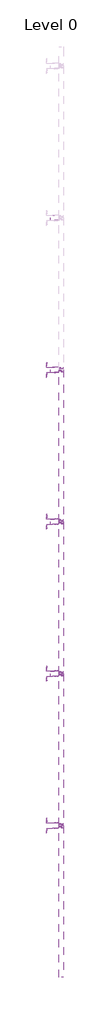
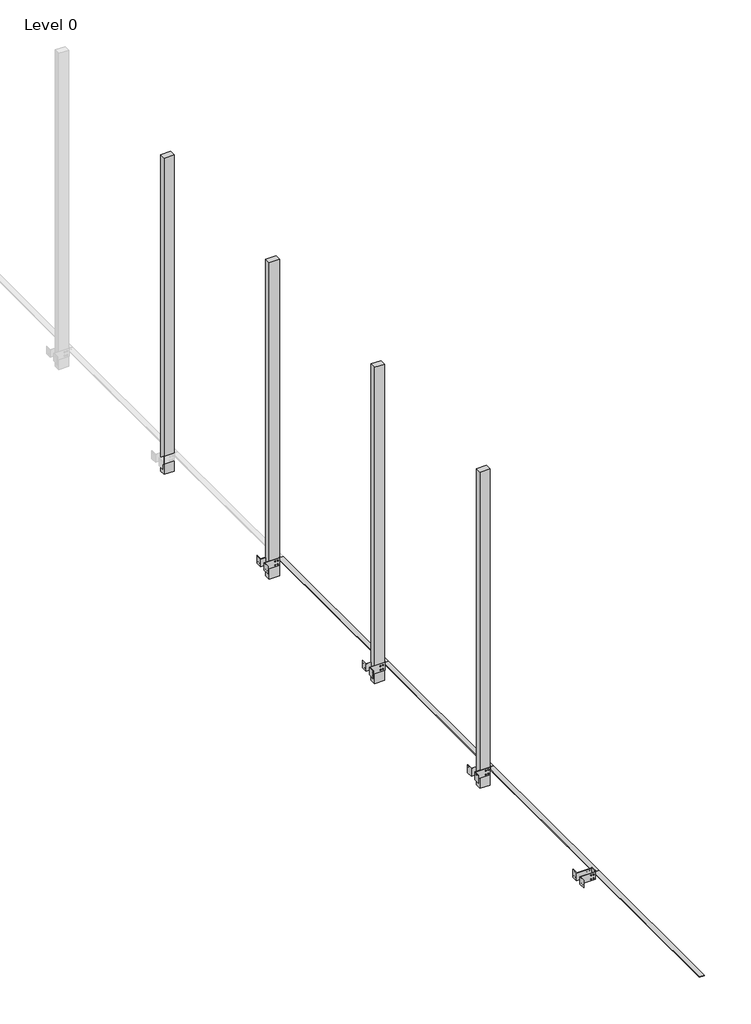
# One storey, part 11 of 15: 116 proxies.
"""IFC4 building model written with IfcOpenShell, lengths in millimetres."""

import ifcopenshell
import ifcopenshell.guid

model = None  # the IFC model being written
_history = None  # IfcOwnerHistory: only IFC2X3 demands one
_inside = {}  # id of a spatial element -> (the spatial element, [elements in it])
_under = {}  # id of a project, library or spatial element -> (it, [spatial elements below it])
_declared = {}  # id of a project -> (the project, [libraries it declares])
_typed = {}  # id of a type object -> (the type object, [elements of that type])
_made_of = {}  # id of a material, layer set ... -> (it, [elements and type objects made of it])


def new_model(schema):
    """Start an empty IFC model of exactly this schema.

    Asked for "IFC4X3", IfcOpenShell would pick the latest addendum, in which some entities
    have other attributes; the version numbers below select the first issue.
    IFC2X3 requires an IfcOwnerHistory on every rooted entity: one is made here for all.
    """
    global model, _history
    if schema == "IFC4X3":
        model = ifcopenshell.file(schema_version=(4, 3, 0, 0))
    else:
        model = ifcopenshell.file(schema=schema)
    _inside.clear()
    _under.clear()
    _declared.clear()
    _typed.clear()
    _made_of.clear()
    _history = None
    if model.schema == "IFC2X3":
        org = make("IfcOrganization", Name="unknown")
        user = make(
            "IfcPersonAndOrganization",
            ThePerson=make("IfcPerson", FamilyName="unknown"),
            TheOrganization=org,
        )
        app = make(
            "IfcApplication",
            ApplicationDeveloper=org,
            Version="unknown",
            ApplicationFullName="unknown",
            ApplicationIdentifier="unknown",
        )
        _history = make(
            "IfcOwnerHistory",
            OwningUser=user,
            OwningApplication=app,
            ChangeAction="ADDED",
            CreationDate=0,
        )
    return model


def make(cls, **values):
    """One entity of the class cls with the attributes given. An attribute that is None is left unset."""
    return model.create_entity(
        cls, **{name: value for name, value in values.items() if value is not None}
    )


def rooted(cls, **values):
    """An entity with a GlobalId (a new one), such as an element, a storey or a relation."""
    return make(cls, GlobalId=ifcopenshell.guid.new(), OwnerHistory=_history, **values)


def si_unit(unit_type, name, prefix=None):
    """IfcSIUnit, for example si_unit("LENGTHUNIT", "METRE", prefix="MILLI")."""
    return make("IfcSIUnit", UnitType=unit_type, Prefix=prefix, Name=name)


def assignment(units):
    """IfcUnitAssignment: the units of a project."""
    return None if units is None else make("IfcUnitAssignment", Units=units)


def point(xyz):
    """IfcCartesianPoint."""
    return None if xyz is None else make("IfcCartesianPoint", Coordinates=xyz)


def direction(xyz):
    """IfcDirection."""
    return None if xyz is None else make("IfcDirection", DirectionRatios=xyz)


def frame(location, z_axis=None, x_axis=None):
    """IfcAxis2Placement3D, a coordinate frame: its origin and axes. An axis left out is left unset."""
    return make(
        "IfcAxis2Placement3D",
        Location=point(location),
        Axis=direction(z_axis),
        RefDirection=direction(x_axis),
    )


def frame_2d(location, x_axis=None):
    """IfcAxis2Placement2D, a coordinate frame in the plane: its origin and x axis."""
    return make(
        "IfcAxis2Placement2D", Location=point(location), RefDirection=direction(x_axis)
    )


def origin():
    """The frame at (0, 0, 0) with its axes left unset."""
    return frame((0.0, 0.0, 0.0))


def origin_with_axes():
    """The frame at (0, 0, 0) with the z axis (0, 0, 1) and the x axis (1, 0, 0) written out."""
    return frame((0.0, 0.0, 0.0), z_axis=(0.0, 0.0, 1.0), x_axis=(1.0, 0.0, 0.0))


def origin_2d():
    """The frame at (0, 0) in the plane with its x axis left unset."""
    return frame_2d((0.0, 0.0))


def place(relative_to, where):
    """IfcLocalPlacement: puts the frame where relative to a parent placement (None: the world)."""
    return make(
        "IfcLocalPlacement", PlacementRelTo=relative_to, RelativePlacement=where
    )


def context(
    kind, dimensions, precision=None, world=None, true_north=None, identifier=None
):
    """IfcGeometricRepresentationContext, for example the 3D "Model" context."""
    return make(
        "IfcGeometricRepresentationContext",
        ContextIdentifier=identifier,
        ContextType=kind,
        CoordinateSpaceDimension=dimensions,
        Precision=precision,
        WorldCoordinateSystem=world,
        TrueNorth=true_north,
    )


def project(units=None, contexts=None):
    """IfcProject with its units and contexts."""
    return rooted(
        "IfcProject",
        Name="project",
        RepresentationContexts=contexts,
        UnitsInContext=assignment(units),
    )


def spatial(cls, under=None, at=None, **own):
    """A site, building, storey or space (cls), placed at a placement, below another one or the project."""
    s = rooted(cls, ObjectPlacement=at, **own)
    if under is not None:
        _under.setdefault(under.id(), (under, []))[1].append(s)
    return s


def polyline(points):
    """IfcPolyline through the points."""
    return make("IfcPolyline", Points=[point(p) for p in points])


def circle_curve(where, radius):
    """IfcCircle in the frame where."""
    return make("IfcCircle", Position=where, Radius=radius)


def trimmed(basis, trim1, trim2, sense, master):
    """IfcTrimmedCurve: the piece of a basis curve between two trims."""
    return make(
        "IfcTrimmedCurve",
        BasisCurve=basis,
        Trim1=trim1,
        Trim2=trim2,
        SenseAgreement=sense,
        MasterRepresentation=master,
    )


def segment(curve, same_sense, transition):
    """IfcCompositeCurveSegment."""
    return make(
        "IfcCompositeCurveSegment",
        Transition=transition,
        SameSense=same_sense,
        ParentCurve=curve,
    )


def composite_curve(segments, self_intersect=None):
    """IfcCompositeCurve: segments joined end to end."""
    return make("IfcCompositeCurve", Segments=segments, SelfIntersect=self_intersect)


def outline(outer, holes=None, kind="AREA"):
    """IfcArbitraryClosedProfileDef: a profile drawn as a closed curve; with holes, ...WithVoids."""
    if holes is None:
        return make("IfcArbitraryClosedProfileDef", ProfileType=kind, OuterCurve=outer)
    return make(
        "IfcArbitraryProfileDefWithVoids",
        ProfileType=kind,
        OuterCurve=outer,
        InnerCurves=holes,
    )


def extrude(swept, where, along, depth):
    """IfcExtrudedAreaSolid: the profile swept, set in the frame where, extruded along a direction by depth."""
    return make(
        "IfcExtrudedAreaSolid",
        SweptArea=swept,
        Position=where,
        ExtrudedDirection=direction(along),
        Depth=depth,
    )


def shape(context_of_items, identifier, shape_type, items):
    """IfcShapeRepresentation: the items that make up one representation, for example the "Body"."""
    return make(
        "IfcShapeRepresentation",
        ContextOfItems=context_of_items,
        RepresentationIdentifier=identifier,
        RepresentationType=shape_type,
        Items=items,
    )


def source(mapping_origin, context_of_items, identifier, shape_type, items):
    """IfcRepresentationMap: a shape defined once, which mapped items show again and again."""
    return make(
        "IfcRepresentationMap",
        MappingOrigin=mapping_origin,
        MappedRepresentation=shape(context_of_items, identifier, shape_type, items),
    )


def transform(
    local_origin,
    x_axis=None,
    y_axis=None,
    z_axis=None,
    scale=None,
    scale2=None,
    scale3=None,
    uniform=True,
):
    """IfcCartesianTransformationOperator3D, or its non-uniform kind. x_axis, y_axis, z_axis: its Axis1, 2, 3."""
    if uniform:
        return make(
            "IfcCartesianTransformationOperator3D",
            Axis1=direction(x_axis),
            Axis2=direction(y_axis),
            LocalOrigin=point(local_origin),
            Scale=scale,
            Axis3=direction(z_axis),
        )
    return make(
        "IfcCartesianTransformationOperator3DnonUniform",
        Axis1=direction(x_axis),
        Axis2=direction(y_axis),
        LocalOrigin=point(local_origin),
        Scale=scale,
        Axis3=direction(z_axis),
        Scale2=scale2,
        Scale3=scale3,
    )


def mapped(mapping_source, mapping_target):
    """IfcMappedItem: shows the shape of a source again, moved by a transform."""
    return make(
        "IfcMappedItem", MappingSource=mapping_source, MappingTarget=mapping_target
    )


def made_of(thing, what):
    """Note that an element or type object is made of a material, layer set ...; save() writes the relation."""
    if what is not None:
        _made_of.setdefault(what.id(), (what, []))[1].append(thing)
    return thing


def element(
    cls,
    number,
    at=None,
    inside=None,
    cuts=None,
    type_object=None,
    material=None,
    context=None,
    identifier="Body",
    shape_type=None,
    held_by="IfcProductDefinitionShape",
    body=None,
    shapes=None,
    **own,
):
    """One element of the class cls, such as IfcWall. Its Tag is "e" and its number.

    at: its placement. inside: the storey or other place that contains it. cuts: it is an
    opening in that element (IfcRelVoidsElement). A single representation is given by context,
    identifier, shape_type and body (its items); several are given by shapes. held_by: the class
    of the entity that holds the representations. save() writes the other relations.
    """
    e = rooted(cls, Tag="e%d" % number, ObjectPlacement=at, **own)
    if body is not None:
        shapes = [shape(context, identifier, shape_type, body)]
    if shapes is not None:
        e.Representation = make(held_by, Representations=shapes)
    if inside is not None:
        _inside.setdefault(inside.id(), (inside, []))[1].append(e)
    if cuts is not None:
        rooted(
            "IfcRelVoidsElement", RelatingBuildingElement=cuts, RelatedOpeningElement=e
        )
    if type_object is not None:
        _typed.setdefault(type_object.id(), (type_object, []))[1].append(e)
    return made_of(e, material)


def aggregate(whole, parts):
    """IfcRelAggregates: a whole, such as a stair, and the parts it consists of."""
    return rooted("IfcRelAggregates", RelatingObject=whole, RelatedObjects=parts)


def save(model, path):
    """Write the relations noted so far, then the file.

    IfcRelAggregates (storeys below a building ...), IfcRelContainedInSpatialStructure (elements
    in a storey), IfcRelDefinesByType, IfcRelAssociatesMaterial and IfcRelDeclares: one each for
    every whole, place, type object, material and project.
    """
    for whole, parts in _under.values():
        aggregate(whole, parts)
    for where, things in _inside.values():
        rooted(
            "IfcRelContainedInSpatialStructure",
            RelatedElements=things,
            RelatingStructure=where,
        )
    for kind, things in _typed.values():
        rooted("IfcRelDefinesByType", RelatedObjects=things, RelatingType=kind)
    for what, things in _made_of.values():
        rooted("IfcRelAssociatesMaterial", RelatedObjects=things, RelatingMaterial=what)
    for by, libraries in _declared.values():
        rooted("IfcRelDeclares", RelatingContext=by, RelatedDefinitions=libraries)
    model.write(path)


def generic_models_19886ca7(model_context):
    return source(origin(), model_context, "Body", "SweptSolid", [
        extrude(outline(composite_curve([segment(trimmed(circle_curve(origin_2d(), 5.0), [point((-5.0, 0.0))], [point((5.0, 0.0))], False, "CARTESIAN"), True, "CONTINUOUS"), segment(trimmed(circle_curve(origin_2d(), 5.0), [point((5.0, 0.0))], [point((-5.0, 0.0))], False, "CARTESIAN"), True, "CONTINUOUS")], self_intersect=False)), origin_with_axes(), (0.0, 0.0, 1.0), 5.0),
    ])


def generic_models_88deaccf(model_context):
    return source(origin(), model_context, "Body", "SweptSolid", [
        extrude(outline(polyline([(150.0, 0.0), (0.0, 0.0), (0.0, 62.3), (2.3, 62.3), (2.3, 2.3), (150.0, 2.3), (150.0, 0.0)])), frame((0.0, -80.0, 0.0), z_axis=(0.0, 1.0, 0.0), x_axis=(0.0, 0.0, 1.0)), (0.0, 0.0, 1.0), 80.0),
    ])


def generic_models_159ed4c4(model_context):
    return source(origin(), model_context, "Body", "SweptSolid", [
        extrude(outline(polyline([(150.0, 0.0), (0.0, 0.0), (0.0, 62.3), (2.3, 62.3), (2.3, 2.3), (150.0, 2.3), (150.0, 0.0)])), frame((0.0, 0.0, 0.0), z_axis=(0.0, 1.0, 0.0), x_axis=(0.0, 0.0, 1.0)), (0.0, 0.0, 1.0), 80.0),
    ])


def generic_models_e0213a8b(model_context):
    return source(origin(), model_context, "Body", "SweptSolid", [
        extrude(outline(polyline([(0.0, 0.0), (0.0, 3.0), (47.0, 3.0), (47.0, 50.0), (50.0, 50.0), (50.0, 0.0), (0.0, 0.0)])), frame((0.0, 0.0, 0.0), z_axis=(1.0, 0.0, 0.0), x_axis=(0.0, 1.0, 0.0)), (0.0, 0.0, 1.0), 60.0),
    ])


def generic_models_dec5313c(model_context):
    return source(origin(), model_context, "Body", "SweptSolid", [
        extrude(outline(polyline([(26.7544115, -408.8971584), (-23.2455885, -408.8971584), (-23.2455885, 1391.1028416), (26.7544115, 1391.1028416), (26.7544115, -408.8971584)])), origin_with_axes(), (0.0, 0.0, 1.0), 7.0),
    ])


def montante_parete_montante_parete_482e2bc0(model_context):
    return source(origin(), model_context, "Body", "SweptSolid", [
        extrude(outline(polyline([(30.0, -1136.5382366), (-30.0, -1136.5382366), (-30.0, 2163.4617634), (30.0, 2163.4617634), (30.0, -1136.5382366)])), origin_with_axes(), (0.0, 0.0, 1.0), 100.0),
    ])


model = new_model("IFC4")

# Units and contexts
model_context = context("Model", 3, world=origin())
ifc_project = project(units=[si_unit("LENGTHUNIT", "METRE", prefix="MILLI")], contexts=[model_context])

# Site, building, storey
site = spatial("IfcSite", under=ifc_project)
building = spatial("IfcBuilding", under=site)
storey = spatial("IfcBuildingStorey", under=building, Name="Level 0", Elevation=0.0)

# Proxies
placement = place(None, origin())
generic_models_shape = generic_models_19886ca7(model_context)
element("IfcBuildingElementProxy", 1, Name="Generic Models", at=placement, inside=storey, context=model_context, shape_type="MappedRepresentation", body=[
    mapped(generic_models_shape, transform((4044.1492963, -9971.9410594, 2854.9669904), x_axis=(0.0, 1.0, 0.0), y_axis=(0.0, 0.0, 1.0), z_axis=(1.0, 0.0, 0.0))),
])
element("IfcBuildingElementProxy", 2, Name="Generic Models", at=placement, inside=storey, context=model_context, shape_type="MappedRepresentation", body=[
    mapped(generic_models_shape, transform((4044.1492963, -9946.9410594, 2855.0), x_axis=(0.0, 1.0, 0.0), y_axis=(0.0, 0.0, 1.0), z_axis=(1.0, 0.0, 0.0))),
])
element("IfcBuildingElementProxy", 3, Name="Generic Models", at=placement, inside=storey, context=model_context, shape_type="MappedRepresentation", body=[
    mapped(generic_models_shape, transform((4044.1492963, -9946.9410594, 2815.0), x_axis=(0.0, 1.0, 0.0), y_axis=(0.0, 0.0, 1.0), z_axis=(1.0, 0.0, 0.0))),
])
element("IfcBuildingElementProxy", 4, Name="Generic Models", at=placement, inside=storey, context=model_context, shape_type="MappedRepresentation", body=[
    mapped(generic_models_shape, transform((4044.1492963, -9971.9410594, 2815.0), x_axis=(0.0, 1.0, 0.0), y_axis=(0.0, 0.0, 1.0), z_axis=(1.0, 0.0, 0.0))),
])
element("IfcBuildingElementProxy", 5, Name="Generic Models", at=placement, inside=storey, context=model_context, shape_type="MappedRepresentation", body=[
    mapped(generic_models_shape, transform((4171.8492963, -9991.9410594, 2855.0), x_axis=(-1.0, 0.0, 0.0), y_axis=(0.0, 0.0, 1.0), z_axis=(0.0, 1.0, 0.0))),
])
element("IfcBuildingElementProxy", 6, Name="Generic Models", at=placement, inside=storey, context=model_context, shape_type="MappedRepresentation", body=[
    mapped(generic_models_shape, transform((4171.8492963, -9991.9410594, 2814.9681435), x_axis=(-1.0, 0.0, 0.0), y_axis=(0.0, 0.0, 1.0), z_axis=(0.0, 1.0, 0.0))),
])
element("IfcBuildingElementProxy", 7, Name="Generic Models", at=placement, inside=storey, context=model_context, shape_type="MappedRepresentation", body=[
    mapped(generic_models_shape, transform((4146.8492963, -9991.9410594, 2814.9681435), x_axis=(-1.0, 0.0, 0.0), y_axis=(0.0, 0.0, 1.0), z_axis=(0.0, 1.0, 0.0))),
])
element("IfcBuildingElementProxy", 8, Name="Generic Models", at=placement, inside=storey, context=model_context, shape_type="MappedRepresentation", body=[
    mapped(generic_models_shape, transform((4146.8492963, -9991.9410594, 2855.0), x_axis=(-1.0, 0.0, 0.0), y_axis=(0.0, 0.0, 1.0), z_axis=(0.0, 1.0, 0.0))),
])
element("IfcBuildingElementProxy", 9, Name="Generic Models", at=placement, inside=storey, context=model_context, shape_type="MappedRepresentation", body=[
    mapped(generic_models_shape, transform((4044.1492963, -11771.9410594, 2854.9669904), x_axis=(0.0, 1.0, 0.0), y_axis=(0.0, 0.0, 1.0), z_axis=(1.0, 0.0, 0.0))),
])
element("IfcBuildingElementProxy", 10, Name="Generic Models", at=placement, inside=storey, context=model_context, shape_type="MappedRepresentation", body=[
    mapped(generic_models_shape, transform((4044.1492963, -11746.9410594, 2855.0), x_axis=(0.0, 1.0, 0.0), y_axis=(0.0, 0.0, 1.0), z_axis=(1.0, 0.0, 0.0))),
])
element("IfcBuildingElementProxy", 11, Name="Generic Models", at=placement, inside=storey, context=model_context, shape_type="MappedRepresentation", body=[
    mapped(generic_models_shape, transform((4044.1492963, -11746.9410594, 2815.0), x_axis=(0.0, 1.0, 0.0), y_axis=(0.0, 0.0, 1.0), z_axis=(1.0, 0.0, 0.0))),
])
element("IfcBuildingElementProxy", 12, Name="Generic Models", at=placement, inside=storey, context=model_context, shape_type="MappedRepresentation", body=[
    mapped(generic_models_shape, transform((4044.1492963, -11771.9410594, 2815.0), x_axis=(0.0, 1.0, 0.0), y_axis=(0.0, 0.0, 1.0), z_axis=(1.0, 0.0, 0.0))),
])
element("IfcBuildingElementProxy", 13, Name="Generic Models", at=placement, inside=storey, context=model_context, shape_type="MappedRepresentation", body=[
    mapped(generic_models_shape, transform((4171.8492963, -11791.9410594, 2855.0), x_axis=(-1.0, 0.0, 0.0), y_axis=(0.0, 0.0, 1.0), z_axis=(0.0, 1.0, 0.0))),
])
element("IfcBuildingElementProxy", 14, Name="Generic Models", at=placement, inside=storey, context=model_context, shape_type="MappedRepresentation", body=[
    mapped(generic_models_shape, transform((4171.8492963, -11791.9410594, 2814.9681435), x_axis=(-1.0, 0.0, 0.0), y_axis=(0.0, 0.0, 1.0), z_axis=(0.0, 1.0, 0.0))),
])
element("IfcBuildingElementProxy", 15, Name="Generic Models", at=placement, inside=storey, context=model_context, shape_type="MappedRepresentation", body=[
    mapped(generic_models_shape, transform((4146.8492963, -11791.9410594, 2814.9681435), x_axis=(-1.0, 0.0, 0.0), y_axis=(0.0, 0.0, 1.0), z_axis=(0.0, 1.0, 0.0))),
])
element("IfcBuildingElementProxy", 16, Name="Generic Models", at=placement, inside=storey, context=model_context, shape_type="MappedRepresentation", body=[
    mapped(generic_models_shape, transform((4146.8492963, -11791.9410594, 2855.0), x_axis=(-1.0, 0.0, 0.0), y_axis=(0.0, 0.0, 1.0), z_axis=(0.0, 1.0, 0.0))),
])
element("IfcBuildingElementProxy", 17, Name="Generic Models", at=placement, inside=storey, context=model_context, shape_type="MappedRepresentation", body=[
    mapped(generic_models_shape, transform((4044.1492963, -13571.9410594, 2854.9669904), x_axis=(0.0, 1.0, 0.0), y_axis=(0.0, 0.0, 1.0), z_axis=(1.0, 0.0, 0.0))),
])
element("IfcBuildingElementProxy", 18, Name="Generic Models", at=placement, inside=storey, context=model_context, shape_type="MappedRepresentation", body=[
    mapped(generic_models_shape, transform((4044.1492963, -13546.9410594, 2855.0), x_axis=(0.0, 1.0, 0.0), y_axis=(0.0, 0.0, 1.0), z_axis=(1.0, 0.0, 0.0))),
])
element("IfcBuildingElementProxy", 19, Name="Generic Models", at=placement, inside=storey, context=model_context, shape_type="MappedRepresentation", body=[
    mapped(generic_models_shape, transform((4044.1492963, -13546.9410594, 2815.0), x_axis=(0.0, 1.0, 0.0), y_axis=(0.0, 0.0, 1.0), z_axis=(1.0, 0.0, 0.0))),
])
element("IfcBuildingElementProxy", 20, Name="Generic Models", at=placement, inside=storey, context=model_context, shape_type="MappedRepresentation", body=[
    mapped(generic_models_shape, transform((4044.1492963, -13571.9410594, 2815.0), x_axis=(0.0, 1.0, 0.0), y_axis=(0.0, 0.0, 1.0), z_axis=(1.0, 0.0, 0.0))),
])
element("IfcBuildingElementProxy", 21, Name="Generic Models", at=placement, inside=storey, context=model_context, shape_type="MappedRepresentation", body=[
    mapped(generic_models_shape, transform((4171.8492963, -13591.9410594, 2855.0), x_axis=(-1.0, 0.0, 0.0), y_axis=(0.0, 0.0, 1.0), z_axis=(0.0, 1.0, 0.0))),
])
element("IfcBuildingElementProxy", 22, Name="Generic Models", at=placement, inside=storey, context=model_context, shape_type="MappedRepresentation", body=[
    mapped(generic_models_shape, transform((4171.8492963, -13591.9410594, 2814.9681435), x_axis=(-1.0, 0.0, 0.0), y_axis=(0.0, 0.0, 1.0), z_axis=(0.0, 1.0, 0.0))),
])
element("IfcBuildingElementProxy", 23, Name="Generic Models", at=placement, inside=storey, context=model_context, shape_type="MappedRepresentation", body=[
    mapped(generic_models_shape, transform((4146.8492963, -13591.9410594, 2814.9681435), x_axis=(-1.0, 0.0, 0.0), y_axis=(0.0, 0.0, 1.0), z_axis=(0.0, 1.0, 0.0))),
])
element("IfcBuildingElementProxy", 24, Name="Generic Models", at=placement, inside=storey, context=model_context, shape_type="MappedRepresentation", body=[
    mapped(generic_models_shape, transform((4146.8492963, -13591.9410594, 2855.0), x_axis=(-1.0, 0.0, 0.0), y_axis=(0.0, 0.0, 1.0), z_axis=(0.0, 1.0, 0.0))),
])
element("IfcBuildingElementProxy", 25, Name="Generic Models", at=placement, inside=storey, context=model_context, shape_type="MappedRepresentation", body=[
    mapped(generic_models_shape, transform((4044.1492963, -15371.9410594, 2854.9669904), x_axis=(0.0, 1.0, 0.0), y_axis=(0.0, 0.0, 1.0), z_axis=(1.0, 0.0, 0.0))),
])
element("IfcBuildingElementProxy", 26, Name="Generic Models", at=placement, inside=storey, context=model_context, shape_type="MappedRepresentation", body=[
    mapped(generic_models_shape, transform((4044.1492963, -15346.9410594, 2855.0), x_axis=(0.0, 1.0, 0.0), y_axis=(0.0, 0.0, 1.0), z_axis=(1.0, 0.0, 0.0))),
])
element("IfcBuildingElementProxy", 27, Name="Generic Models", at=placement, inside=storey, context=model_context, shape_type="MappedRepresentation", body=[
    mapped(generic_models_shape, transform((4044.1492963, -15346.9410594, 2815.0), x_axis=(0.0, 1.0, 0.0), y_axis=(0.0, 0.0, 1.0), z_axis=(1.0, 0.0, 0.0))),
])
element("IfcBuildingElementProxy", 28, Name="Generic Models", at=placement, inside=storey, context=model_context, shape_type="MappedRepresentation", body=[
    mapped(generic_models_shape, transform((4044.1492963, -15371.9410594, 2815.0), x_axis=(0.0, 1.0, 0.0), y_axis=(0.0, 0.0, 1.0), z_axis=(1.0, 0.0, 0.0))),
])
element("IfcBuildingElementProxy", 29, Name="Generic Models", at=placement, inside=storey, context=model_context, shape_type="MappedRepresentation", body=[
    mapped(generic_models_shape, transform((4171.8492963, -15391.9410594, 2855.0), x_axis=(-1.0, 0.0, 0.0), y_axis=(0.0, 0.0, 1.0), z_axis=(0.0, 1.0, 0.0))),
])
element("IfcBuildingElementProxy", 30, Name="Generic Models", at=placement, inside=storey, context=model_context, shape_type="MappedRepresentation", body=[
    mapped(generic_models_shape, transform((4171.8492963, -15391.9410594, 2814.9681435), x_axis=(-1.0, 0.0, 0.0), y_axis=(0.0, 0.0, 1.0), z_axis=(0.0, 1.0, 0.0))),
])
element("IfcBuildingElementProxy", 31, Name="Generic Models", at=placement, inside=storey, context=model_context, shape_type="MappedRepresentation", body=[
    mapped(generic_models_shape, transform((4146.8492963, -15391.9410594, 2814.9681435), x_axis=(-1.0, 0.0, 0.0), y_axis=(0.0, 0.0, 1.0), z_axis=(0.0, 1.0, 0.0))),
])
element("IfcBuildingElementProxy", 32, Name="Generic Models", at=placement, inside=storey, context=model_context, shape_type="MappedRepresentation", body=[
    mapped(generic_models_shape, transform((4146.8492963, -15391.9410594, 2855.0), x_axis=(-1.0, 0.0, 0.0), y_axis=(0.0, 0.0, 1.0), z_axis=(0.0, 1.0, 0.0))),
])
element("IfcBuildingElementProxy", 33, Name="Generic Models", at=placement, inside=storey, context=model_context, shape_type="MappedRepresentation", body=[
    mapped(generic_models_shape, transform((4044.1492963, -10076.5410594, 2854.9669904), x_axis=(0.0, -1.0, 0.0), y_axis=(0.0, 0.0, -1.0), z_axis=(1.0, 0.0, 0.0))),
])
element("IfcBuildingElementProxy", 34, Name="Generic Models", at=placement, inside=storey, context=model_context, shape_type="MappedRepresentation", body=[
    mapped(generic_models_shape, transform((4044.1492963, -10101.5410594, 2855.0), x_axis=(0.0, -1.0, 0.0), y_axis=(0.0, 0.0, -1.0), z_axis=(1.0, 0.0, 0.0))),
])
element("IfcBuildingElementProxy", 35, Name="Generic Models", at=placement, inside=storey, context=model_context, shape_type="MappedRepresentation", body=[
    mapped(generic_models_shape, transform((4044.1492963, -10101.5410594, 2815.0), x_axis=(0.0, -1.0, 0.0), y_axis=(0.0, 0.0, -1.0), z_axis=(1.0, 0.0, 0.0))),
])
element("IfcBuildingElementProxy", 36, Name="Generic Models", at=placement, inside=storey, context=model_context, shape_type="MappedRepresentation", body=[
    mapped(generic_models_shape, transform((4044.1492963, -10076.5410594, 2815.0), x_axis=(0.0, -1.0, 0.0), y_axis=(0.0, 0.0, -1.0), z_axis=(1.0, 0.0, 0.0))),
])
element("IfcBuildingElementProxy", 37, Name="Generic Models", at=placement, inside=storey, context=model_context, shape_type="MappedRepresentation", body=[
    mapped(generic_models_shape, transform((4171.8492963, -10056.5410594, 2855.0), x_axis=(-1.0, 0.0, 0.0), y_axis=(0.0, 0.0, -1.0), z_axis=(0.0, -1.0, 0.0))),
])
element("IfcBuildingElementProxy", 38, Name="Generic Models", at=placement, inside=storey, context=model_context, shape_type="MappedRepresentation", body=[
    mapped(generic_models_shape, transform((4171.8492963, -10056.5410594, 2814.9681435), x_axis=(-1.0, 0.0, 0.0), y_axis=(0.0, 0.0, -1.0), z_axis=(0.0, -1.0, 0.0))),
])
element("IfcBuildingElementProxy", 39, Name="Generic Models", at=placement, inside=storey, context=model_context, shape_type="MappedRepresentation", body=[
    mapped(generic_models_shape, transform((4146.8492963, -10056.5410594, 2814.9681435), x_axis=(-1.0, 0.0, 0.0), y_axis=(0.0, 0.0, -1.0), z_axis=(0.0, -1.0, 0.0))),
])
element("IfcBuildingElementProxy", 40, Name="Generic Models", at=placement, inside=storey, context=model_context, shape_type="MappedRepresentation", body=[
    mapped(generic_models_shape, transform((4146.8492963, -10056.5410594, 2855.0), x_axis=(-1.0, 0.0, 0.0), y_axis=(0.0, 0.0, -1.0), z_axis=(0.0, -1.0, 0.0))),
])
element("IfcBuildingElementProxy", 41, Name="Generic Models", at=placement, inside=storey, context=model_context, shape_type="MappedRepresentation", body=[
    mapped(generic_models_shape, transform((4194.8352526, -10039.2410594, 2870.0), x_axis=(0.0, 0.0, -1.0), y_axis=(0.0, 1.0, 0.0), z_axis=(1.0, 0.0, 0.0))),
])
element("IfcBuildingElementProxy", 42, Name="Generic Models", at=placement, inside=storey, context=model_context, shape_type="MappedRepresentation", body=[
    mapped(generic_models_shape, transform((4194.8352526, -10039.2410594, 2853.0), x_axis=(0.0, 0.0, -1.0), y_axis=(0.0, 1.0, 0.0), z_axis=(1.0, 0.0, 0.0))),
])
element("IfcBuildingElementProxy", 43, Name="Generic Models", at=placement, inside=storey, context=model_context, shape_type="MappedRepresentation", body=[
    mapped(generic_models_shape, transform((4194.8352526, -10009.2410594, 2853.0), x_axis=(0.0, 0.0, -1.0), y_axis=(0.0, 1.0, 0.0), z_axis=(1.0, 0.0, 0.0))),
])
element("IfcBuildingElementProxy", 44, Name="Generic Models", at=placement, inside=storey, context=model_context, shape_type="MappedRepresentation", body=[
    mapped(generic_models_shape, transform((4194.8352526, -10009.2410594, 2869.4644661), x_axis=(0.0, 0.0, -1.0), y_axis=(0.0, 1.0, 0.0), z_axis=(1.0, 0.0, 0.0))),
])
element("IfcBuildingElementProxy", 45, Name="Generic Models", at=placement, inside=storey, context=model_context, shape_type="MappedRepresentation", body=[
    mapped(generic_models_shape, transform((4206.8352526, -10009.2366286, 2838.0), x_axis=(1.0, 0.0, 0.0), y_axis=(0.0, 1.0, 0.0), z_axis=(0.0, 0.0, 1.0))),
])
element("IfcBuildingElementProxy", 46, Name="Generic Models", at=placement, inside=storey, context=model_context, shape_type="MappedRepresentation", body=[
    mapped(generic_models_shape, transform((4226.8352526, -10009.2214622, 2838.0), x_axis=(1.0, 0.0, 0.0), y_axis=(0.0, 1.0, 0.0), z_axis=(0.0, 0.0, 1.0))),
])
element("IfcBuildingElementProxy", 47, Name="Generic Models", at=placement, inside=storey, context=model_context, shape_type="MappedRepresentation", body=[
    mapped(generic_models_shape, transform((4206.8352526, -10039.2410594, 2838.0), x_axis=(1.0, 0.0, 0.0), y_axis=(0.0, 1.0, 0.0), z_axis=(0.0, 0.0, 1.0))),
])
element("IfcBuildingElementProxy", 48, Name="Generic Models", at=placement, inside=storey, context=model_context, shape_type="MappedRepresentation", body=[
    mapped(generic_models_shape, transform((4226.8352526, -10039.2410594, 2838.0), x_axis=(1.0, 0.0, 0.0), y_axis=(0.0, 1.0, 0.0), z_axis=(0.0, 0.0, 1.0))),
])
element("IfcBuildingElementProxy", 49, Name="Generic Models", at=placement, inside=storey, context=model_context, shape_type="MappedRepresentation", body=[
    mapped(generic_models_shape, transform((4044.1492963, -11876.5410594, 2854.9669904), x_axis=(0.0, -1.0, 0.0), y_axis=(0.0, 0.0, -1.0), z_axis=(1.0, 0.0, 0.0))),
])
element("IfcBuildingElementProxy", 50, Name="Generic Models", at=placement, inside=storey, context=model_context, shape_type="MappedRepresentation", body=[
    mapped(generic_models_shape, transform((4044.1492963, -11901.5410594, 2855.0), x_axis=(0.0, -1.0, 0.0), y_axis=(0.0, 0.0, -1.0), z_axis=(1.0, 0.0, 0.0))),
])
element("IfcBuildingElementProxy", 51, Name="Generic Models", at=placement, inside=storey, context=model_context, shape_type="MappedRepresentation", body=[
    mapped(generic_models_shape, transform((4044.1492963, -11901.5410594, 2815.0), x_axis=(0.0, -1.0, 0.0), y_axis=(0.0, 0.0, -1.0), z_axis=(1.0, 0.0, 0.0))),
])
element("IfcBuildingElementProxy", 52, Name="Generic Models", at=placement, inside=storey, context=model_context, shape_type="MappedRepresentation", body=[
    mapped(generic_models_shape, transform((4044.1492963, -11876.5410594, 2815.0), x_axis=(0.0, -1.0, 0.0), y_axis=(0.0, 0.0, -1.0), z_axis=(1.0, 0.0, 0.0))),
])
element("IfcBuildingElementProxy", 53, Name="Generic Models", at=placement, inside=storey, context=model_context, shape_type="MappedRepresentation", body=[
    mapped(generic_models_shape, transform((4171.8492963, -11856.5410594, 2855.0), x_axis=(-1.0, 0.0, 0.0), y_axis=(0.0, 0.0, -1.0), z_axis=(0.0, -1.0, 0.0))),
])
element("IfcBuildingElementProxy", 54, Name="Generic Models", at=placement, inside=storey, context=model_context, shape_type="MappedRepresentation", body=[
    mapped(generic_models_shape, transform((4171.8492963, -11856.5410594, 2814.9681435), x_axis=(-1.0, 0.0, 0.0), y_axis=(0.0, 0.0, -1.0), z_axis=(0.0, -1.0, 0.0))),
])
element("IfcBuildingElementProxy", 55, Name="Generic Models", at=placement, inside=storey, context=model_context, shape_type="MappedRepresentation", body=[
    mapped(generic_models_shape, transform((4146.8492963, -11856.5410594, 2814.9681435), x_axis=(-1.0, 0.0, 0.0), y_axis=(0.0, 0.0, -1.0), z_axis=(0.0, -1.0, 0.0))),
])
element("IfcBuildingElementProxy", 56, Name="Generic Models", at=placement, inside=storey, context=model_context, shape_type="MappedRepresentation", body=[
    mapped(generic_models_shape, transform((4146.8492963, -11856.5410594, 2855.0), x_axis=(-1.0, 0.0, 0.0), y_axis=(0.0, 0.0, -1.0), z_axis=(0.0, -1.0, 0.0))),
])
element("IfcBuildingElementProxy", 57, Name="Generic Models", at=placement, inside=storey, context=model_context, shape_type="MappedRepresentation", body=[
    mapped(generic_models_shape, transform((4194.8352526, -11839.2410594, 2870.0), x_axis=(0.0, 0.0, -1.0), y_axis=(0.0, 1.0, 0.0), z_axis=(1.0, 0.0, 0.0))),
])
element("IfcBuildingElementProxy", 58, Name="Generic Models", at=placement, inside=storey, context=model_context, shape_type="MappedRepresentation", body=[
    mapped(generic_models_shape, transform((4194.8352526, -11839.2410594, 2853.0), x_axis=(0.0, 0.0, -1.0), y_axis=(0.0, 1.0, 0.0), z_axis=(1.0, 0.0, 0.0))),
])
element("IfcBuildingElementProxy", 59, Name="Generic Models", at=placement, inside=storey, context=model_context, shape_type="MappedRepresentation", body=[
    mapped(generic_models_shape, transform((4194.8352526, -11809.2410594, 2853.0), x_axis=(0.0, 0.0, -1.0), y_axis=(0.0, 1.0, 0.0), z_axis=(1.0, 0.0, 0.0))),
])
element("IfcBuildingElementProxy", 60, Name="Generic Models", at=placement, inside=storey, context=model_context, shape_type="MappedRepresentation", body=[
    mapped(generic_models_shape, transform((4194.8352526, -11809.2410594, 2869.4644661), x_axis=(0.0, 0.0, -1.0), y_axis=(0.0, 1.0, 0.0), z_axis=(1.0, 0.0, 0.0))),
])
element("IfcBuildingElementProxy", 61, Name="Generic Models", at=placement, inside=storey, context=model_context, shape_type="MappedRepresentation", body=[
    mapped(generic_models_shape, transform((4206.8352526, -11809.2366286, 2838.0), x_axis=(1.0, 0.0, 0.0), y_axis=(0.0, 1.0, 0.0), z_axis=(0.0, 0.0, 1.0))),
])
element("IfcBuildingElementProxy", 62, Name="Generic Models", at=placement, inside=storey, context=model_context, shape_type="MappedRepresentation", body=[
    mapped(generic_models_shape, transform((4226.8352526, -11809.2214622, 2838.0), x_axis=(1.0, 0.0, 0.0), y_axis=(0.0, 1.0, 0.0), z_axis=(0.0, 0.0, 1.0))),
])
element("IfcBuildingElementProxy", 63, Name="Generic Models", at=placement, inside=storey, context=model_context, shape_type="MappedRepresentation", body=[
    mapped(generic_models_shape, transform((4206.8352526, -11839.2410594, 2838.0), x_axis=(1.0, 0.0, 0.0), y_axis=(0.0, 1.0, 0.0), z_axis=(0.0, 0.0, 1.0))),
])
element("IfcBuildingElementProxy", 64, Name="Generic Models", at=placement, inside=storey, context=model_context, shape_type="MappedRepresentation", body=[
    mapped(generic_models_shape, transform((4226.8352526, -11839.2410594, 2838.0), x_axis=(1.0, 0.0, 0.0), y_axis=(0.0, 1.0, 0.0), z_axis=(0.0, 0.0, 1.0))),
])
element("IfcBuildingElementProxy", 65, Name="Generic Models", at=placement, inside=storey, context=model_context, shape_type="MappedRepresentation", body=[
    mapped(generic_models_shape, transform((4044.1492963, -13676.5410594, 2854.9669904), x_axis=(0.0, -1.0, 0.0), y_axis=(0.0, 0.0, -1.0), z_axis=(1.0, 0.0, 0.0))),
])
element("IfcBuildingElementProxy", 66, Name="Generic Models", at=placement, inside=storey, context=model_context, shape_type="MappedRepresentation", body=[
    mapped(generic_models_shape, transform((4044.1492963, -13701.5410594, 2855.0), x_axis=(0.0, -1.0, 0.0), y_axis=(0.0, 0.0, -1.0), z_axis=(1.0, 0.0, 0.0))),
])
element("IfcBuildingElementProxy", 67, Name="Generic Models", at=placement, inside=storey, context=model_context, shape_type="MappedRepresentation", body=[
    mapped(generic_models_shape, transform((4044.1492963, -13701.5410594, 2815.0), x_axis=(0.0, -1.0, 0.0), y_axis=(0.0, 0.0, -1.0), z_axis=(1.0, 0.0, 0.0))),
])
element("IfcBuildingElementProxy", 68, Name="Generic Models", at=placement, inside=storey, context=model_context, shape_type="MappedRepresentation", body=[
    mapped(generic_models_shape, transform((4044.1492963, -13676.5410594, 2815.0), x_axis=(0.0, -1.0, 0.0), y_axis=(0.0, 0.0, -1.0), z_axis=(1.0, 0.0, 0.0))),
])
element("IfcBuildingElementProxy", 69, Name="Generic Models", at=placement, inside=storey, context=model_context, shape_type="MappedRepresentation", body=[
    mapped(generic_models_shape, transform((4171.8492963, -13656.5410594, 2855.0), x_axis=(-1.0, 0.0, 0.0), y_axis=(0.0, 0.0, -1.0), z_axis=(0.0, -1.0, 0.0))),
])
element("IfcBuildingElementProxy", 70, Name="Generic Models", at=placement, inside=storey, context=model_context, shape_type="MappedRepresentation", body=[
    mapped(generic_models_shape, transform((4171.8492963, -13656.5410594, 2814.9681435), x_axis=(-1.0, 0.0, 0.0), y_axis=(0.0, 0.0, -1.0), z_axis=(0.0, -1.0, 0.0))),
])
element("IfcBuildingElementProxy", 71, Name="Generic Models", at=placement, inside=storey, context=model_context, shape_type="MappedRepresentation", body=[
    mapped(generic_models_shape, transform((4146.8492963, -13656.5410594, 2814.9681435), x_axis=(-1.0, 0.0, 0.0), y_axis=(0.0, 0.0, -1.0), z_axis=(0.0, -1.0, 0.0))),
])
element("IfcBuildingElementProxy", 72, Name="Generic Models", at=placement, inside=storey, context=model_context, shape_type="MappedRepresentation", body=[
    mapped(generic_models_shape, transform((4146.8492963, -13656.5410594, 2855.0), x_axis=(-1.0, 0.0, 0.0), y_axis=(0.0, 0.0, -1.0), z_axis=(0.0, -1.0, 0.0))),
])
element("IfcBuildingElementProxy", 73, Name="Generic Models", at=placement, inside=storey, context=model_context, shape_type="MappedRepresentation", body=[
    mapped(generic_models_shape, transform((4194.8352526, -13639.2410594, 2870.0), x_axis=(0.0, 0.0, -1.0), y_axis=(0.0, 1.0, 0.0), z_axis=(1.0, 0.0, 0.0))),
])
element("IfcBuildingElementProxy", 74, Name="Generic Models", at=placement, inside=storey, context=model_context, shape_type="MappedRepresentation", body=[
    mapped(generic_models_shape, transform((4194.8352526, -13639.2410594, 2853.0), x_axis=(0.0, 0.0, -1.0), y_axis=(0.0, 1.0, 0.0), z_axis=(1.0, 0.0, 0.0))),
])
element("IfcBuildingElementProxy", 75, Name="Generic Models", at=placement, inside=storey, context=model_context, shape_type="MappedRepresentation", body=[
    mapped(generic_models_shape, transform((4194.8352526, -13609.2410594, 2853.0), x_axis=(0.0, 0.0, -1.0), y_axis=(0.0, 1.0, 0.0), z_axis=(1.0, 0.0, 0.0))),
])
element("IfcBuildingElementProxy", 76, Name="Generic Models", at=placement, inside=storey, context=model_context, shape_type="MappedRepresentation", body=[
    mapped(generic_models_shape, transform((4194.8352526, -13609.2410594, 2869.4644661), x_axis=(0.0, 0.0, -1.0), y_axis=(0.0, 1.0, 0.0), z_axis=(1.0, 0.0, 0.0))),
])
element("IfcBuildingElementProxy", 77, Name="Generic Models", at=placement, inside=storey, context=model_context, shape_type="MappedRepresentation", body=[
    mapped(generic_models_shape, transform((4206.8352526, -13609.2366286, 2838.0), x_axis=(1.0, 0.0, 0.0), y_axis=(0.0, 1.0, 0.0), z_axis=(0.0, 0.0, 1.0))),
])
element("IfcBuildingElementProxy", 78, Name="Generic Models", at=placement, inside=storey, context=model_context, shape_type="MappedRepresentation", body=[
    mapped(generic_models_shape, transform((4226.8352526, -13609.2214622, 2838.0), x_axis=(1.0, 0.0, 0.0), y_axis=(0.0, 1.0, 0.0), z_axis=(0.0, 0.0, 1.0))),
])
element("IfcBuildingElementProxy", 79, Name="Generic Models", at=placement, inside=storey, context=model_context, shape_type="MappedRepresentation", body=[
    mapped(generic_models_shape, transform((4206.8352526, -13639.2410594, 2838.0), x_axis=(1.0, 0.0, 0.0), y_axis=(0.0, 1.0, 0.0), z_axis=(0.0, 0.0, 1.0))),
])
element("IfcBuildingElementProxy", 80, Name="Generic Models", at=placement, inside=storey, context=model_context, shape_type="MappedRepresentation", body=[
    mapped(generic_models_shape, transform((4226.8352526, -13639.2410594, 2838.0), x_axis=(1.0, 0.0, 0.0), y_axis=(0.0, 1.0, 0.0), z_axis=(0.0, 0.0, 1.0))),
])
element("IfcBuildingElementProxy", 81, Name="Generic Models", at=placement, inside=storey, context=model_context, shape_type="MappedRepresentation", body=[
    mapped(generic_models_shape, transform((4044.1492963, -15476.5410594, 2854.9669904), x_axis=(0.0, -1.0, 0.0), y_axis=(0.0, 0.0, -1.0), z_axis=(1.0, 0.0, 0.0))),
])
element("IfcBuildingElementProxy", 82, Name="Generic Models", at=placement, inside=storey, context=model_context, shape_type="MappedRepresentation", body=[
    mapped(generic_models_shape, transform((4044.1492963, -15501.5410594, 2855.0), x_axis=(0.0, -1.0, 0.0), y_axis=(0.0, 0.0, -1.0), z_axis=(1.0, 0.0, 0.0))),
])
element("IfcBuildingElementProxy", 83, Name="Generic Models", at=placement, inside=storey, context=model_context, shape_type="MappedRepresentation", body=[
    mapped(generic_models_shape, transform((4044.1492963, -15501.5410594, 2815.0), x_axis=(0.0, -1.0, 0.0), y_axis=(0.0, 0.0, -1.0), z_axis=(1.0, 0.0, 0.0))),
])
element("IfcBuildingElementProxy", 84, Name="Generic Models", at=placement, inside=storey, context=model_context, shape_type="MappedRepresentation", body=[
    mapped(generic_models_shape, transform((4044.1492963, -15476.5410594, 2815.0), x_axis=(0.0, -1.0, 0.0), y_axis=(0.0, 0.0, -1.0), z_axis=(1.0, 0.0, 0.0))),
])
element("IfcBuildingElementProxy", 85, Name="Generic Models", at=placement, inside=storey, context=model_context, shape_type="MappedRepresentation", body=[
    mapped(generic_models_shape, transform((4171.8492963, -15456.5410594, 2855.0), x_axis=(-1.0, 0.0, 0.0), y_axis=(0.0, 0.0, -1.0), z_axis=(0.0, -1.0, 0.0))),
])
element("IfcBuildingElementProxy", 86, Name="Generic Models", at=placement, inside=storey, context=model_context, shape_type="MappedRepresentation", body=[
    mapped(generic_models_shape, transform((4171.8492963, -15456.5410594, 2814.9681435), x_axis=(-1.0, 0.0, 0.0), y_axis=(0.0, 0.0, -1.0), z_axis=(0.0, -1.0, 0.0))),
])
element("IfcBuildingElementProxy", 87, Name="Generic Models", at=placement, inside=storey, context=model_context, shape_type="MappedRepresentation", body=[
    mapped(generic_models_shape, transform((4146.8492963, -15456.5410594, 2814.9681435), x_axis=(-1.0, 0.0, 0.0), y_axis=(0.0, 0.0, -1.0), z_axis=(0.0, -1.0, 0.0))),
])
element("IfcBuildingElementProxy", 88, Name="Generic Models", at=placement, inside=storey, context=model_context, shape_type="MappedRepresentation", body=[
    mapped(generic_models_shape, transform((4146.8492963, -15456.5410594, 2855.0), x_axis=(-1.0, 0.0, 0.0), y_axis=(0.0, 0.0, -1.0), z_axis=(0.0, -1.0, 0.0))),
])
element("IfcBuildingElementProxy", 89, Name="Generic Models", at=placement, inside=storey, context=model_context, shape_type="MappedRepresentation", body=[
    mapped(generic_models_shape, transform((4194.8352526, -15439.2410594, 2870.0), x_axis=(0.0, 0.0, -1.0), y_axis=(0.0, 1.0, 0.0), z_axis=(1.0, 0.0, 0.0))),
])
element("IfcBuildingElementProxy", 90, Name="Generic Models", at=placement, inside=storey, context=model_context, shape_type="MappedRepresentation", body=[
    mapped(generic_models_shape, transform((4194.8352526, -15439.2410594, 2853.0), x_axis=(0.0, 0.0, -1.0), y_axis=(0.0, 1.0, 0.0), z_axis=(1.0, 0.0, 0.0))),
])
element("IfcBuildingElementProxy", 91, Name="Generic Models", at=placement, inside=storey, context=model_context, shape_type="MappedRepresentation", body=[
    mapped(generic_models_shape, transform((4194.8352526, -15409.2410594, 2853.0), x_axis=(0.0, 0.0, -1.0), y_axis=(0.0, 1.0, 0.0), z_axis=(1.0, 0.0, 0.0))),
])
element("IfcBuildingElementProxy", 92, Name="Generic Models", at=placement, inside=storey, context=model_context, shape_type="MappedRepresentation", body=[
    mapped(generic_models_shape, transform((4194.8352526, -15409.2410594, 2869.4644661), x_axis=(0.0, 0.0, -1.0), y_axis=(0.0, 1.0, 0.0), z_axis=(1.0, 0.0, 0.0))),
])
element("IfcBuildingElementProxy", 93, Name="Generic Models", at=placement, inside=storey, context=model_context, shape_type="MappedRepresentation", body=[
    mapped(generic_models_shape, transform((4206.8352526, -15409.2366286, 2838.0), x_axis=(1.0, 0.0, 0.0), y_axis=(0.0, 1.0, 0.0), z_axis=(0.0, 0.0, 1.0))),
])
element("IfcBuildingElementProxy", 94, Name="Generic Models", at=placement, inside=storey, context=model_context, shape_type="MappedRepresentation", body=[
    mapped(generic_models_shape, transform((4226.8352526, -15409.2214622, 2838.0), x_axis=(1.0, 0.0, 0.0), y_axis=(0.0, 1.0, 0.0), z_axis=(0.0, 0.0, 1.0))),
])
element("IfcBuildingElementProxy", 95, Name="Generic Models", at=placement, inside=storey, context=model_context, shape_type="MappedRepresentation", body=[
    mapped(generic_models_shape, transform((4206.8352526, -15439.2410594, 2838.0), x_axis=(1.0, 0.0, 0.0), y_axis=(0.0, 1.0, 0.0), z_axis=(0.0, 0.0, 1.0))),
])
element("IfcBuildingElementProxy", 96, Name="Generic Models", at=placement, inside=storey, context=model_context, shape_type="MappedRepresentation", body=[
    mapped(generic_models_shape, transform((4226.8352526, -15439.2410594, 2838.0), x_axis=(1.0, 0.0, 0.0), y_axis=(0.0, 1.0, 0.0), z_axis=(0.0, 0.0, 1.0))),
])
generic_models_2_shape = generic_models_88deaccf(model_context)
element("IfcBuildingElementProxy", 97, Name="Generic Models", at=placement, inside=storey, context=model_context, shape_type="MappedRepresentation", body=[
    mapped(generic_models_2_shape, transform((4041.8492963, -9994.2410594, 2875.0), x_axis=(0.0, 1.0, 0.0), y_axis=(0.0, 0.0, 1.0), z_axis=(1.0, 0.0, 0.0))),
])
element("IfcBuildingElementProxy", 98, Name="Generic Models", at=placement, inside=storey, context=model_context, shape_type="MappedRepresentation", body=[
    mapped(generic_models_2_shape, transform((4041.8492963, -11794.2410594, 2875.0), x_axis=(0.0, 1.0, 0.0), y_axis=(0.0, 0.0, 1.0), z_axis=(1.0, 0.0, 0.0))),
])
element("IfcBuildingElementProxy", 99, Name="Generic Models", at=placement, inside=storey, context=model_context, shape_type="MappedRepresentation", body=[
    mapped(generic_models_2_shape, transform((4041.8492963, -13594.2410594, 2875.0), x_axis=(0.0, 1.0, 0.0), y_axis=(0.0, 0.0, 1.0), z_axis=(1.0, 0.0, 0.0))),
])
element("IfcBuildingElementProxy", 100, Name="Generic Models", at=placement, inside=storey, context=model_context, shape_type="MappedRepresentation", body=[
    mapped(generic_models_2_shape, transform((4041.8492963, -15394.2410594, 2875.0), x_axis=(0.0, 1.0, 0.0), y_axis=(0.0, 0.0, 1.0), z_axis=(1.0, 0.0, 0.0))),
])
generic_models_3_shape = generic_models_159ed4c4(model_context)
element("IfcBuildingElementProxy", 101, Name="Generic Models", at=placement, inside=storey, context=model_context, shape_type="MappedRepresentation", body=[
    mapped(generic_models_3_shape, transform((4041.8492963, -10054.2410594, 2875.0), x_axis=(0.0, -1.0, 0.0), y_axis=(0.0, 0.0, -1.0), z_axis=(1.0, 0.0, 0.0))),
])
element("IfcBuildingElementProxy", 102, Name="Generic Models", at=placement, inside=storey, context=model_context, shape_type="MappedRepresentation", body=[
    mapped(generic_models_3_shape, transform((4041.8492963, -11854.2410594, 2875.0), x_axis=(0.0, -1.0, 0.0), y_axis=(0.0, 0.0, -1.0), z_axis=(1.0, 0.0, 0.0))),
])
element("IfcBuildingElementProxy", 103, Name="Generic Models", at=placement, inside=storey, context=model_context, shape_type="MappedRepresentation", body=[
    mapped(generic_models_3_shape, transform((4041.8492963, -13654.2410594, 2875.0), x_axis=(0.0, -1.0, 0.0), y_axis=(0.0, 0.0, -1.0), z_axis=(1.0, 0.0, 0.0))),
])
element("IfcBuildingElementProxy", 104, Name="Generic Models", at=placement, inside=storey, context=model_context, shape_type="MappedRepresentation", body=[
    mapped(generic_models_3_shape, transform((4041.8492963, -15454.2410594, 2875.0), x_axis=(0.0, -1.0, 0.0), y_axis=(0.0, 0.0, -1.0), z_axis=(1.0, 0.0, 0.0))),
])
generic_models_4_shape = generic_models_e0213a8b(model_context)
element("IfcBuildingElementProxy", 105, Name="Generic Models", at=placement, inside=storey, context=model_context, shape_type="MappedRepresentation", body=[
    mapped(generic_models_4_shape, transform((4191.8352526, -9994.2410594, 2885.0), x_axis=(0.0, -1.0, 0.0), y_axis=(0.0, 0.0, -1.0), z_axis=(1.0, 0.0, 0.0))),
])
element("IfcBuildingElementProxy", 106, Name="Generic Models", at=placement, inside=storey, context=model_context, shape_type="MappedRepresentation", body=[
    mapped(generic_models_4_shape, transform((4191.8352526, -11794.2410594, 2885.0), x_axis=(0.0, -1.0, 0.0), y_axis=(0.0, 0.0, -1.0), z_axis=(1.0, 0.0, 0.0))),
])
element("IfcBuildingElementProxy", 107, Name="Generic Models", at=placement, inside=storey, context=model_context, shape_type="MappedRepresentation", body=[
    mapped(generic_models_4_shape, transform((4191.8352526, -13594.2410594, 2885.0), x_axis=(0.0, -1.0, 0.0), y_axis=(0.0, 0.0, -1.0), z_axis=(1.0, 0.0, 0.0))),
])
element("IfcBuildingElementProxy", 108, Name="Generic Models", at=placement, inside=storey, context=model_context, shape_type="MappedRepresentation", body=[
    mapped(generic_models_4_shape, transform((4191.8352526, -15394.2410594, 2885.0), x_axis=(0.0, -1.0, 0.0), y_axis=(0.0, 0.0, -1.0), z_axis=(1.0, 0.0, 0.0))),
])
generic_models_5_shape = generic_models_dec5313c(model_context)
element("IfcBuildingElementProxy", 109, Name="Generic Models", at=placement, inside=storey, context=model_context, shape_type="MappedRepresentation", body=[
    mapped(generic_models_5_shape, transform((4221.8352526, -10433.1382178, 2843.0), x_axis=(-1.0, 0.0, 0.0), y_axis=(0.0, -1.0, 0.0), z_axis=(0.0, 0.0, 1.0))),
])
element("IfcBuildingElementProxy", 110, Name="Generic Models", at=placement, inside=storey, context=model_context, shape_type="MappedRepresentation", body=[
    mapped(generic_models_5_shape, transform((4221.8352526, -12233.1382178, 2843.0), x_axis=(-1.0, 0.0, 0.0), y_axis=(0.0, -1.0, 0.0), z_axis=(0.0, 0.0, 1.0))),
])
element("IfcBuildingElementProxy", 111, Name="Generic Models", at=placement, inside=storey, context=model_context, shape_type="MappedRepresentation", body=[
    mapped(generic_models_5_shape, transform((4221.8352526, -14033.1382178, 2843.0), x_axis=(-1.0, 0.0, 0.0), y_axis=(0.0, -1.0, 0.0), z_axis=(0.0, 0.0, 1.0))),
])
element("IfcBuildingElementProxy", 112, Name="Generic Models", at=placement, inside=storey, context=model_context, shape_type="MappedRepresentation", body=[
    mapped(generic_models_5_shape, transform((4221.8352526, -15833.1382178, 2843.0), x_axis=(-1.0, 0.0, 0.0), y_axis=(0.0, -1.0, 0.0), z_axis=(0.0, 0.0, 1.0))),
])
montante_parete_montante_parete_shape = montante_parete_montante_parete_482e2bc0(model_context)
element("IfcBuildingElementProxy", 113, Name="montante parete : montante parete", ObjectType="montante parete : montante parete", at=placement, inside=storey, context=model_context, shape_type="MappedRepresentation", body=[
    mapped(montante_parete_montante_parete_shape, transform((4091.8352526, -10024.2410594, 4848.4617634), x_axis=(0.0, -1.0, 0.0), y_axis=(0.0, 0.0, -1.0), z_axis=(1.0, 0.0, 0.0))),
])
element("IfcBuildingElementProxy", 114, Name="montante parete : montante parete", ObjectType="montante parete : montante parete", at=placement, inside=storey, context=model_context, shape_type="MappedRepresentation", body=[
    mapped(montante_parete_montante_parete_shape, transform((4091.8352526, -11824.2410594, 4848.4617634), x_axis=(0.0, -1.0, 0.0), y_axis=(0.0, 0.0, -1.0), z_axis=(1.0, 0.0, 0.0))),
])
element("IfcBuildingElementProxy", 115, Name="montante parete : montante parete", ObjectType="montante parete : montante parete", at=placement, inside=storey, context=model_context, shape_type="MappedRepresentation", body=[
    mapped(montante_parete_montante_parete_shape, transform((4091.8352526, -13624.2410594, 4848.4617634), x_axis=(0.0, -1.0, 0.0), y_axis=(0.0, 0.0, -1.0), z_axis=(1.0, 0.0, 0.0))),
])
element("IfcBuildingElementProxy", 116, Name="montante parete : montante parete", ObjectType="montante parete : montante parete", at=placement, inside=storey, context=model_context, shape_type="MappedRepresentation", body=[
    mapped(montante_parete_montante_parete_shape, transform((4091.8352526, -8224.2410594, 4848.4617634), x_axis=(0.0, -1.0, 0.0), y_axis=(0.0, 0.0, -1.0), z_axis=(1.0, 0.0, 0.0))),
])

save(model, "model.ifc")
